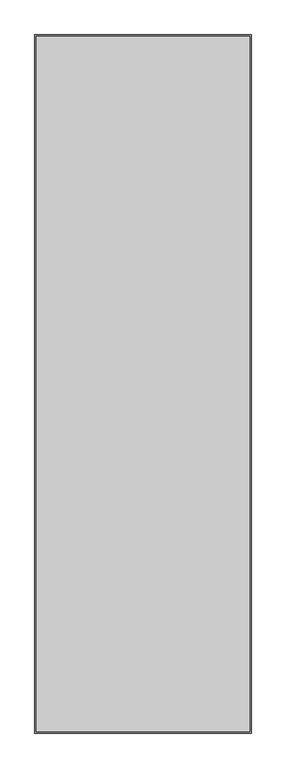
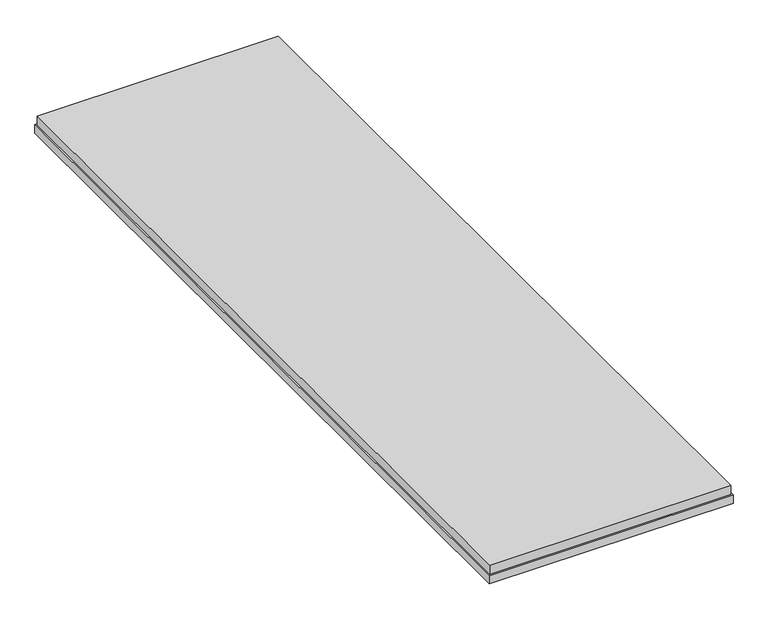
"""IFC4 building model written with IfcOpenShell, lengths in millimetres: proxy geometry."""

from ifc_helpers import new_model, si_unit, frame, origin, place, context, project, spatial, polyline, outline, extrude, source, transform, mapped, element, save


def generic_models_7d0305a4(model_context):
    return source(origin(), model_context, "Body", "SweptSolid", [
        extrude(outline(polyline([(737.0, 91.0), (63.0, 91.0), (63.0, 2281.0), (737.0, 2281.0), (737.0, 91.0)])), frame((0.0, 0.0, -43.0), z_axis=(0.0, 0.0, 1.0), x_axis=(1.0, 0.0, 0.0)), (0.0, 0.0, 1.0), 27.0),
        extrude(outline(polyline([(59.0, 87.0), (59.0, 2285.0), (741.0, 2285.0), (741.0, 87.0), (59.0, 87.0)]), holes=[polyline([(723.0, 105.0), (723.0, 2267.0), (77.0, 2267.0), (77.0, 105.0), (723.0, 105.0)])]), frame((0.0, 0.0, -68.0), z_axis=(0.0, 0.0, 1.0), x_axis=(1.0, 0.0, 0.0)), (0.0, 0.0, 1.0), 25.0),
    ])


if __name__ == "__main__":
    model = new_model("IFC4")
    model_context = context("Model", 3, world=origin())
    ifc_project = project(units=[si_unit("LENGTHUNIT", "METRE", prefix="MILLI")], contexts=[model_context])
    site = spatial("IfcSite", under=ifc_project)
    building = spatial("IfcBuilding", under=site)
    placement = place(None, origin())
    generic_models_shape = generic_models_7d0305a4(model_context)
    element("IfcBuildingElementProxy", 1, Name="Generic Models", at=placement, inside=building, context=model_context, shape_type="MappedRepresentation", body=[
        mapped(generic_models_shape, transform((0.0, 0.0, 0.0), x_axis=(1.0, 0.0, 0.0), y_axis=(0.0, 1.0, 0.0), z_axis=(0.0, 0.0, 1.0))),
    ])
    save(model, "model.ifc")
